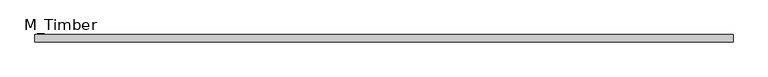
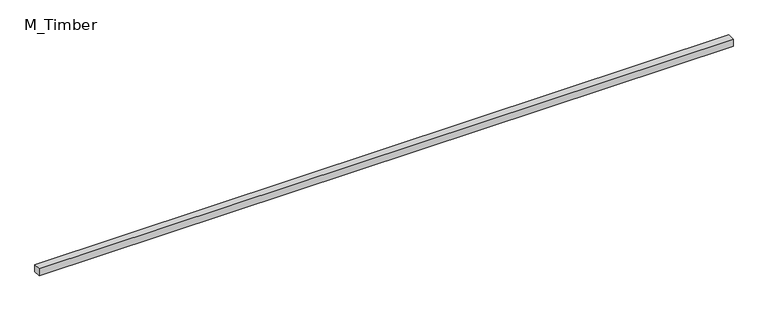
"""IFC4 building model written with IfcOpenShell, lengths in millimetres: beam geometry, M_Timber."""

from ifc_helpers import new_model, si_unit, frame, origin, place, context, project, spatial, polyline, outline, extrude, source, transform, mapped, element, save


def m_timber_18c34615(model_context):
    return source(origin(), model_context, "Body", "SweptSolid", [
        extrude(outline(polyline([(1894.7892378, 20.0), (1894.7892378, -20.0), (-1894.7892378, -20.0), (-1894.7892378, 20.0), (1894.7892378, 20.0)])), frame((0.0, 0.0, -20.0), z_axis=(0.0, 0.0, 1.0), x_axis=(1.0, 0.0, 0.0)), (0.0, 0.0, 1.0), 40.0),
    ])


if __name__ == "__main__":
    model = new_model("IFC4")
    model_context = context("Model", 3, world=origin())
    ifc_project = project(units=[si_unit("LENGTHUNIT", "METRE", prefix="MILLI")], contexts=[model_context])
    site = spatial("IfcSite", under=ifc_project)
    building = spatial("IfcBuilding", under=site)
    placement = place(None, origin())
    m_timber_shape = m_timber_18c34615(model_context)
    element("IfcBeam", 1, ObjectType="M_Timber", at=placement, inside=building, context=model_context, shape_type="MappedRepresentation", body=[
        mapped(m_timber_shape, transform((0.0, 0.0, 0.0), x_axis=(1.0, 0.0, 0.0), y_axis=(0.0, 1.0, 0.0), z_axis=(0.0, 0.0, 1.0))),
    ])
    save(model, "model.ifc")
